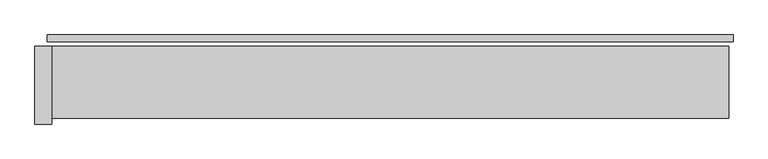
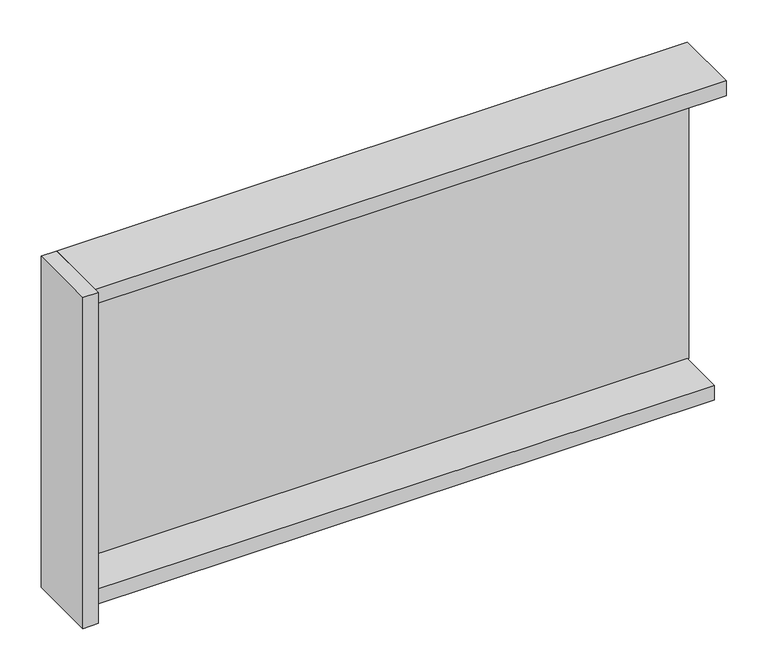
"""IFC4 building model written with IfcOpenShell, lengths in millimetres: plate geometry."""

import ifcopenshell
import ifcopenshell.guid

model = None  # the IFC model being written
_history = None  # IfcOwnerHistory: only IFC2X3 demands one
_inside = {}  # id of a spatial element -> (the spatial element, [elements in it])
_under = {}  # id of a project, library or spatial element -> (it, [spatial elements below it])
_declared = {}  # id of a project -> (the project, [libraries it declares])
_typed = {}  # id of a type object -> (the type object, [elements of that type])
_made_of = {}  # id of a material, layer set ... -> (it, [elements and type objects made of it])


def new_model(schema):
    """Start an empty IFC model of exactly this schema.

    Asked for "IFC4X3", IfcOpenShell would pick the latest addendum, in which some entities
    have other attributes; the version numbers below select the first issue.
    IFC2X3 requires an IfcOwnerHistory on every rooted entity: one is made here for all.
    """
    global model, _history
    if schema == "IFC4X3":
        model = ifcopenshell.file(schema_version=(4, 3, 0, 0))
    else:
        model = ifcopenshell.file(schema=schema)
    _inside.clear()
    _under.clear()
    _declared.clear()
    _typed.clear()
    _made_of.clear()
    _history = None
    if model.schema == "IFC2X3":
        org = make("IfcOrganization", Name="unknown")
        user = make(
            "IfcPersonAndOrganization",
            ThePerson=make("IfcPerson", FamilyName="unknown"),
            TheOrganization=org,
        )
        app = make(
            "IfcApplication",
            ApplicationDeveloper=org,
            Version="unknown",
            ApplicationFullName="unknown",
            ApplicationIdentifier="unknown",
        )
        _history = make(
            "IfcOwnerHistory",
            OwningUser=user,
            OwningApplication=app,
            ChangeAction="ADDED",
            CreationDate=0,
        )
    return model


def make(cls, **values):
    """One entity of the class cls with the attributes given. An attribute that is None is left unset."""
    return model.create_entity(
        cls, **{name: value for name, value in values.items() if value is not None}
    )


def rooted(cls, **values):
    """An entity with a GlobalId (a new one), such as an element, a storey or a relation."""
    return make(cls, GlobalId=ifcopenshell.guid.new(), OwnerHistory=_history, **values)


def si_unit(unit_type, name, prefix=None):
    """IfcSIUnit, for example si_unit("LENGTHUNIT", "METRE", prefix="MILLI")."""
    return make("IfcSIUnit", UnitType=unit_type, Prefix=prefix, Name=name)


def assignment(units):
    """IfcUnitAssignment: the units of a project."""
    return None if units is None else make("IfcUnitAssignment", Units=units)


def point(xyz):
    """IfcCartesianPoint."""
    return None if xyz is None else make("IfcCartesianPoint", Coordinates=xyz)


def direction(xyz):
    """IfcDirection."""
    return None if xyz is None else make("IfcDirection", DirectionRatios=xyz)


def frame(location, z_axis=None, x_axis=None):
    """IfcAxis2Placement3D, a coordinate frame: its origin and axes. An axis left out is left unset."""
    return make(
        "IfcAxis2Placement3D",
        Location=point(location),
        Axis=direction(z_axis),
        RefDirection=direction(x_axis),
    )


def origin():
    """The frame at (0, 0, 0) with its axes left unset."""
    return frame((0.0, 0.0, 0.0))


def origin_with_axes():
    """The frame at (0, 0, 0) with the z axis (0, 0, 1) and the x axis (1, 0, 0) written out."""
    return frame((0.0, 0.0, 0.0), z_axis=(0.0, 0.0, 1.0), x_axis=(1.0, 0.0, 0.0))


def place(relative_to, where):
    """IfcLocalPlacement: puts the frame where relative to a parent placement (None: the world)."""
    return make(
        "IfcLocalPlacement", PlacementRelTo=relative_to, RelativePlacement=where
    )


def context(
    kind, dimensions, precision=None, world=None, true_north=None, identifier=None
):
    """IfcGeometricRepresentationContext, for example the 3D "Model" context."""
    return make(
        "IfcGeometricRepresentationContext",
        ContextIdentifier=identifier,
        ContextType=kind,
        CoordinateSpaceDimension=dimensions,
        Precision=precision,
        WorldCoordinateSystem=world,
        TrueNorth=true_north,
    )


def project(units=None, contexts=None):
    """IfcProject with its units and contexts."""
    return rooted(
        "IfcProject",
        Name="project",
        RepresentationContexts=contexts,
        UnitsInContext=assignment(units),
    )


def spatial(cls, under=None, at=None, **own):
    """A site, building, storey or space (cls), placed at a placement, below another one or the project."""
    s = rooted(cls, ObjectPlacement=at, **own)
    if under is not None:
        _under.setdefault(under.id(), (under, []))[1].append(s)
    return s


def polyline(points):
    """IfcPolyline through the points."""
    return make("IfcPolyline", Points=[point(p) for p in points])


def outline(outer, holes=None, kind="AREA"):
    """IfcArbitraryClosedProfileDef: a profile drawn as a closed curve; with holes, ...WithVoids."""
    if holes is None:
        return make("IfcArbitraryClosedProfileDef", ProfileType=kind, OuterCurve=outer)
    return make(
        "IfcArbitraryProfileDefWithVoids",
        ProfileType=kind,
        OuterCurve=outer,
        InnerCurves=holes,
    )


def extrude(swept, where, along, depth):
    """IfcExtrudedAreaSolid: the profile swept, set in the frame where, extruded along a direction by depth."""
    return make(
        "IfcExtrudedAreaSolid",
        SweptArea=swept,
        Position=where,
        ExtrudedDirection=direction(along),
        Depth=depth,
    )


def shape(context_of_items, identifier, shape_type, items):
    """IfcShapeRepresentation: the items that make up one representation, for example the "Body"."""
    return make(
        "IfcShapeRepresentation",
        ContextOfItems=context_of_items,
        RepresentationIdentifier=identifier,
        RepresentationType=shape_type,
        Items=items,
    )


def source(mapping_origin, context_of_items, identifier, shape_type, items):
    """IfcRepresentationMap: a shape defined once, which mapped items show again and again."""
    return make(
        "IfcRepresentationMap",
        MappingOrigin=mapping_origin,
        MappedRepresentation=shape(context_of_items, identifier, shape_type, items),
    )


def transform(
    local_origin,
    x_axis=None,
    y_axis=None,
    z_axis=None,
    scale=None,
    scale2=None,
    scale3=None,
    uniform=True,
):
    """IfcCartesianTransformationOperator3D, or its non-uniform kind. x_axis, y_axis, z_axis: its Axis1, 2, 3."""
    if uniform:
        return make(
            "IfcCartesianTransformationOperator3D",
            Axis1=direction(x_axis),
            Axis2=direction(y_axis),
            LocalOrigin=point(local_origin),
            Scale=scale,
            Axis3=direction(z_axis),
        )
    return make(
        "IfcCartesianTransformationOperator3DnonUniform",
        Axis1=direction(x_axis),
        Axis2=direction(y_axis),
        LocalOrigin=point(local_origin),
        Scale=scale,
        Axis3=direction(z_axis),
        Scale2=scale2,
        Scale3=scale3,
    )


def mapped(mapping_source, mapping_target):
    """IfcMappedItem: shows the shape of a source again, moved by a transform."""
    return make(
        "IfcMappedItem", MappingSource=mapping_source, MappingTarget=mapping_target
    )


def made_of(thing, what):
    """Note that an element or type object is made of a material, layer set ...; save() writes the relation."""
    if what is not None:
        _made_of.setdefault(what.id(), (what, []))[1].append(thing)
    return thing


def element(
    cls,
    number,
    at=None,
    inside=None,
    cuts=None,
    type_object=None,
    material=None,
    context=None,
    identifier="Body",
    shape_type=None,
    held_by="IfcProductDefinitionShape",
    body=None,
    shapes=None,
    **own,
):
    """One element of the class cls, such as IfcWall. Its Tag is "e" and its number.

    at: its placement. inside: the storey or other place that contains it. cuts: it is an
    opening in that element (IfcRelVoidsElement). A single representation is given by context,
    identifier, shape_type and body (its items); several are given by shapes. held_by: the class
    of the entity that holds the representations. save() writes the other relations.
    """
    e = rooted(cls, Tag="e%d" % number, ObjectPlacement=at, **own)
    if body is not None:
        shapes = [shape(context, identifier, shape_type, body)]
    if shapes is not None:
        e.Representation = make(held_by, Representations=shapes)
    if inside is not None:
        _inside.setdefault(inside.id(), (inside, []))[1].append(e)
    if cuts is not None:
        rooted(
            "IfcRelVoidsElement", RelatingBuildingElement=cuts, RelatedOpeningElement=e
        )
    if type_object is not None:
        _typed.setdefault(type_object.id(), (type_object, []))[1].append(e)
    return made_of(e, material)


def aggregate(whole, parts):
    """IfcRelAggregates: a whole, such as a stair, and the parts it consists of."""
    return rooted("IfcRelAggregates", RelatingObject=whole, RelatedObjects=parts)


def save(model, path):
    """Write the relations noted so far, then the file.

    IfcRelAggregates (storeys below a building ...), IfcRelContainedInSpatialStructure (elements
    in a storey), IfcRelDefinesByType, IfcRelAssociatesMaterial and IfcRelDeclares: one each for
    every whole, place, type object, material and project.
    """
    for whole, parts in _under.values():
        aggregate(whole, parts)
    for where, things in _inside.values():
        rooted(
            "IfcRelContainedInSpatialStructure",
            RelatedElements=things,
            RelatingStructure=where,
        )
    for kind, things in _typed.values():
        rooted("IfcRelDefinesByType", RelatedObjects=things, RelatingType=kind)
    for what, things in _made_of.values():
        rooted("IfcRelAssociatesMaterial", RelatedObjects=things, RelatingMaterial=what)
    for by, libraries in _declared.values():
        rooted("IfcRelDeclares", RelatingContext=by, RelatedDefinitions=libraries)
    model.write(path)


def plate_46044934(model_context):
    return source(origin(), model_context, "Body", "SweptSolid", [
        extrude(outline(polyline([(1235.0, 0.0), (1235.0, -25.0), (-1235.0, -25.0), (-1235.0, 0.0), (1235.0, 0.0)])), origin_with_axes(), (0.0, 0.0, 1.0), 1264.465707),
        extrude(outline(polyline([(-1220.0, -41.0), (-1220.0, -321.0), (-1280.0, -321.0), (-1280.0, -41.0), (-1220.0, -41.0)])), frame((0.0, 0.0, -45.0), z_axis=(0.0, 0.0, 1.0), x_axis=(1.0, 0.0, 0.0)), (0.0, 0.0, 1.0), 1354.465707),
        extrude(outline(polyline([(1220.0, -221.0), (-1220.0, -221.0), (-1220.0, -41.0), (1220.0, -41.0), (1220.0, -221.0)])), frame((0.0, 0.0, -45.0), z_axis=(0.0, 0.0, 1.0), x_axis=(1.0, 0.0, 0.0)), (0.0, 0.0, 1.0), 60.0),
        extrude(outline(polyline([(1220.0, -41.0), (1220.0, -301.0), (-1220.0, -301.0), (-1220.0, -41.0), (1220.0, -41.0)])), frame((0.0, 0.0, 1249.465707), z_axis=(0.0, 0.0, 1.0), x_axis=(1.0, 0.0, 0.0)), (0.0, 0.0, 1.0), 60.0),
    ])


if __name__ == "__main__":
    model = new_model("IFC4")
    model_context = context("Model", 3, world=origin())
    ifc_project = project(units=[si_unit("LENGTHUNIT", "METRE", prefix="MILLI")], contexts=[model_context])
    site = spatial("IfcSite", under=ifc_project)
    building = spatial("IfcBuilding", under=site)
    placement = place(None, origin())
    plate_shape = plate_46044934(model_context)
    element("IfcPlate", 1, at=placement, inside=building, context=model_context, shape_type="MappedRepresentation", body=[
        mapped(plate_shape, transform((0.0, 0.0, 0.0), x_axis=(1.0, 0.0, 0.0), y_axis=(0.0, 1.0, 0.0), z_axis=(0.0, 0.0, 1.0))),
    ])
    save(model, "model.ifc")
